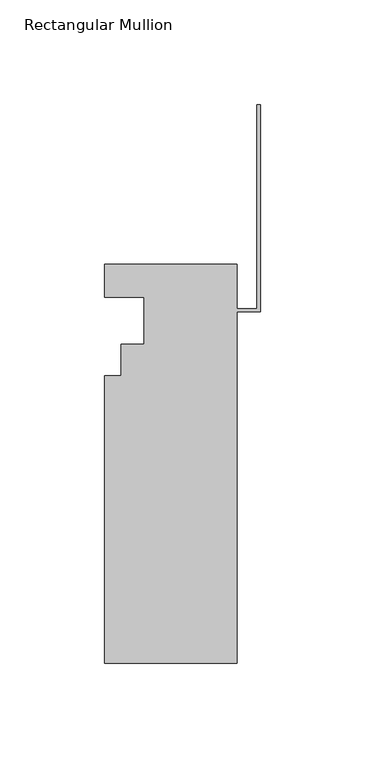
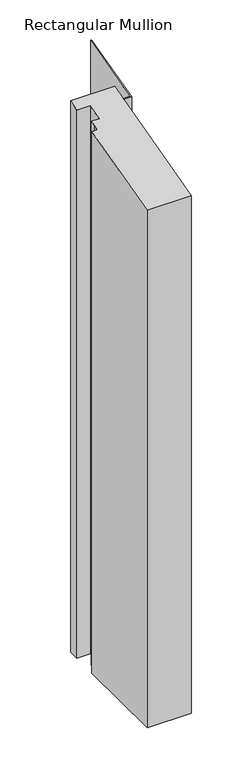
"""IFC4 building model written with IfcOpenShell, lengths in millimetres: member geometry, Rectangular Mullion."""

import ifcopenshell
import ifcopenshell.guid

model = None  # the IFC model being written
_history = None  # IfcOwnerHistory: only IFC2X3 demands one
_inside = {}  # id of a spatial element -> (the spatial element, [elements in it])
_under = {}  # id of a project, library or spatial element -> (it, [spatial elements below it])
_declared = {}  # id of a project -> (the project, [libraries it declares])
_typed = {}  # id of a type object -> (the type object, [elements of that type])
_made_of = {}  # id of a material, layer set ... -> (it, [elements and type objects made of it])


def new_model(schema):
    """Start an empty IFC model of exactly this schema.

    Asked for "IFC4X3", IfcOpenShell would pick the latest addendum, in which some entities
    have other attributes; the version numbers below select the first issue.
    IFC2X3 requires an IfcOwnerHistory on every rooted entity: one is made here for all.
    """
    global model, _history
    if schema == "IFC4X3":
        model = ifcopenshell.file(schema_version=(4, 3, 0, 0))
    else:
        model = ifcopenshell.file(schema=schema)
    _inside.clear()
    _under.clear()
    _declared.clear()
    _typed.clear()
    _made_of.clear()
    _history = None
    if model.schema == "IFC2X3":
        org = make("IfcOrganization", Name="unknown")
        user = make(
            "IfcPersonAndOrganization",
            ThePerson=make("IfcPerson", FamilyName="unknown"),
            TheOrganization=org,
        )
        app = make(
            "IfcApplication",
            ApplicationDeveloper=org,
            Version="unknown",
            ApplicationFullName="unknown",
            ApplicationIdentifier="unknown",
        )
        _history = make(
            "IfcOwnerHistory",
            OwningUser=user,
            OwningApplication=app,
            ChangeAction="ADDED",
            CreationDate=0,
        )
    return model


def make(cls, **values):
    """One entity of the class cls with the attributes given. An attribute that is None is left unset."""
    return model.create_entity(
        cls, **{name: value for name, value in values.items() if value is not None}
    )


def rooted(cls, **values):
    """An entity with a GlobalId (a new one), such as an element, a storey or a relation."""
    return make(cls, GlobalId=ifcopenshell.guid.new(), OwnerHistory=_history, **values)


def si_unit(unit_type, name, prefix=None):
    """IfcSIUnit, for example si_unit("LENGTHUNIT", "METRE", prefix="MILLI")."""
    return make("IfcSIUnit", UnitType=unit_type, Prefix=prefix, Name=name)


def assignment(units):
    """IfcUnitAssignment: the units of a project."""
    return None if units is None else make("IfcUnitAssignment", Units=units)


def point(xyz):
    """IfcCartesianPoint."""
    return None if xyz is None else make("IfcCartesianPoint", Coordinates=xyz)


def direction(xyz):
    """IfcDirection."""
    return None if xyz is None else make("IfcDirection", DirectionRatios=xyz)


def frame(location, z_axis=None, x_axis=None):
    """IfcAxis2Placement3D, a coordinate frame: its origin and axes. An axis left out is left unset."""
    return make(
        "IfcAxis2Placement3D",
        Location=point(location),
        Axis=direction(z_axis),
        RefDirection=direction(x_axis),
    )


def origin():
    """The frame at (0, 0, 0) with its axes left unset."""
    return frame((0.0, 0.0, 0.0))


def place(relative_to, where):
    """IfcLocalPlacement: puts the frame where relative to a parent placement (None: the world)."""
    return make(
        "IfcLocalPlacement", PlacementRelTo=relative_to, RelativePlacement=where
    )


def context(
    kind, dimensions, precision=None, world=None, true_north=None, identifier=None
):
    """IfcGeometricRepresentationContext, for example the 3D "Model" context."""
    return make(
        "IfcGeometricRepresentationContext",
        ContextIdentifier=identifier,
        ContextType=kind,
        CoordinateSpaceDimension=dimensions,
        Precision=precision,
        WorldCoordinateSystem=world,
        TrueNorth=true_north,
    )


def project(units=None, contexts=None):
    """IfcProject with its units and contexts."""
    return rooted(
        "IfcProject",
        Name="project",
        RepresentationContexts=contexts,
        UnitsInContext=assignment(units),
    )


def spatial(cls, under=None, at=None, **own):
    """A site, building, storey or space (cls), placed at a placement, below another one or the project."""
    s = rooted(cls, ObjectPlacement=at, **own)
    if under is not None:
        _under.setdefault(under.id(), (under, []))[1].append(s)
    return s


def faces_of(points, faces, orient=None, outer=None):
    """IfcFace entities. A face is a list of loops; a loop is a list of indices into points, from 0.

    orient and outer hold one flag for each loop. By default every Orientation is true, the
    first loop of a face is its IfcFaceOuterBound and the others are IfcFaceBound.
    """
    made = []
    for i, loops in enumerate(faces):
        bounds = []
        for j, loop in enumerate(loops):
            is_outer = j == 0 if outer is None else outer[i][j]
            bounds.append(
                make(
                    "IfcFaceOuterBound" if is_outer else "IfcFaceBound",
                    Bound=make("IfcPolyLoop", Polygon=[points[k] for k in loop]),
                    Orientation=True if orient is None else orient[i][j],
                )
            )
        made.append(make("IfcFace", Bounds=bounds))
    return made


def faceted_brep(points, faces, orient=None, outer=None, voids=None):
    """IfcFacetedBrep: a solid bounded by flat faces; with voids (closed shells), ...WithVoids."""
    shared = [point(p) for p in points]
    hull = make("IfcClosedShell", CfsFaces=faces_of(shared, faces, orient, outer))
    if voids is None:
        return make("IfcFacetedBrep", Outer=hull)
    return make(
        "IfcFacetedBrepWithVoids",
        Outer=hull,
        Voids=[
            make(cls, CfsFaces=faces_of(shared, fs, o, b)) for cls, fs, o, b in voids
        ],
    )


def shape(context_of_items, identifier, shape_type, items):
    """IfcShapeRepresentation: the items that make up one representation, for example the "Body"."""
    return make(
        "IfcShapeRepresentation",
        ContextOfItems=context_of_items,
        RepresentationIdentifier=identifier,
        RepresentationType=shape_type,
        Items=items,
    )


def source(mapping_origin, context_of_items, identifier, shape_type, items):
    """IfcRepresentationMap: a shape defined once, which mapped items show again and again."""
    return make(
        "IfcRepresentationMap",
        MappingOrigin=mapping_origin,
        MappedRepresentation=shape(context_of_items, identifier, shape_type, items),
    )


def transform(
    local_origin,
    x_axis=None,
    y_axis=None,
    z_axis=None,
    scale=None,
    scale2=None,
    scale3=None,
    uniform=True,
):
    """IfcCartesianTransformationOperator3D, or its non-uniform kind. x_axis, y_axis, z_axis: its Axis1, 2, 3."""
    if uniform:
        return make(
            "IfcCartesianTransformationOperator3D",
            Axis1=direction(x_axis),
            Axis2=direction(y_axis),
            LocalOrigin=point(local_origin),
            Scale=scale,
            Axis3=direction(z_axis),
        )
    return make(
        "IfcCartesianTransformationOperator3DnonUniform",
        Axis1=direction(x_axis),
        Axis2=direction(y_axis),
        LocalOrigin=point(local_origin),
        Scale=scale,
        Axis3=direction(z_axis),
        Scale2=scale2,
        Scale3=scale3,
    )


def mapped(mapping_source, mapping_target):
    """IfcMappedItem: shows the shape of a source again, moved by a transform."""
    return make(
        "IfcMappedItem", MappingSource=mapping_source, MappingTarget=mapping_target
    )


def made_of(thing, what):
    """Note that an element or type object is made of a material, layer set ...; save() writes the relation."""
    if what is not None:
        _made_of.setdefault(what.id(), (what, []))[1].append(thing)
    return thing


def element(
    cls,
    number,
    at=None,
    inside=None,
    cuts=None,
    type_object=None,
    material=None,
    context=None,
    identifier="Body",
    shape_type=None,
    held_by="IfcProductDefinitionShape",
    body=None,
    shapes=None,
    **own,
):
    """One element of the class cls, such as IfcWall. Its Tag is "e" and its number.

    at: its placement. inside: the storey or other place that contains it. cuts: it is an
    opening in that element (IfcRelVoidsElement). A single representation is given by context,
    identifier, shape_type and body (its items); several are given by shapes. held_by: the class
    of the entity that holds the representations. save() writes the other relations.
    """
    e = rooted(cls, Tag="e%d" % number, ObjectPlacement=at, **own)
    if body is not None:
        shapes = [shape(context, identifier, shape_type, body)]
    if shapes is not None:
        e.Representation = make(held_by, Representations=shapes)
    if inside is not None:
        _inside.setdefault(inside.id(), (inside, []))[1].append(e)
    if cuts is not None:
        rooted(
            "IfcRelVoidsElement", RelatingBuildingElement=cuts, RelatedOpeningElement=e
        )
    if type_object is not None:
        _typed.setdefault(type_object.id(), (type_object, []))[1].append(e)
    return made_of(e, material)


def aggregate(whole, parts):
    """IfcRelAggregates: a whole, such as a stair, and the parts it consists of."""
    return rooted("IfcRelAggregates", RelatingObject=whole, RelatedObjects=parts)


def save(model, path):
    """Write the relations noted so far, then the file.

    IfcRelAggregates (storeys below a building ...), IfcRelContainedInSpatialStructure (elements
    in a storey), IfcRelDefinesByType, IfcRelAssociatesMaterial and IfcRelDeclares: one each for
    every whole, place, type object, material and project.
    """
    for whole, parts in _under.values():
        aggregate(whole, parts)
    for where, things in _inside.values():
        rooted(
            "IfcRelContainedInSpatialStructure",
            RelatedElements=things,
            RelatingStructure=where,
        )
    for kind, things in _typed.values():
        rooted("IfcRelDefinesByType", RelatedObjects=things, RelatingType=kind)
    for what, things in _made_of.values():
        rooted("IfcRelAssociatesMaterial", RelatedObjects=things, RelatingMaterial=what)
    for by, libraries in _declared.values():
        rooted("IfcRelDeclares", RelatingContext=by, RelatedDefinitions=libraries)
    model.write(path)


def rectangular_mullion_d9e2b9e8(model_context):
    return source(origin(), model_context, "Body", "Brep", [
        faceted_brep([(-74.613262, 20.7922813, -834.1114019), (-11.113262, 20.7922813, -834.1114019), (-11.113262, -0.4675187, -834.1114019), (-1.5748, -0.4675187, -834.1114019), (-1.5748, 97.0234488, -834.1114019), (0.0, 97.0234488, -834.1114019), (0.0, -2.0423187, -834.1114019), (-11.113262, -2.0423187, -834.1114019), (-11.113262, -169.9617187, -834.1114019), (-74.613262, -169.9617187, -834.1114019), (-74.613262, -32.6239187, -834.1114019), (-66.688462, -32.6239187, -834.1114019), (-66.688462, -24.7245187, -834.1114019), (-66.688462, -17.5617188, -834.1114019), (-55.563262, -17.5617187, -834.1114019), (-55.563262, 4.9172813, -834.1114019), (-74.613262, 4.9172813, -834.1114019), (-74.613262, 4.9172813, 1.3175815), (-74.613262, 20.7922813, 5.571275), (-55.563262, 4.9172813, 1.3175815), (-55.563262, -17.5617187, -4.7056484), (-66.688462, -17.5617188, -4.7056484), (-66.688462, -24.7245187, -6.6249148), (-66.688462, -32.6239187, -8.7415527), (-74.613262, -32.6239187, -8.7415527), (-74.613262, -169.9617187, -45.5411053), (-11.113262, -169.9617187, -45.5411053), (-11.113262, -2.0423187, -0.5472377), (0.0, -2.0423187, -0.5472377), (0.0, 97.0234488, 25.9973548), (-1.5748, 97.0234488, 25.9973548), (-1.5748, -0.4675187, -0.1252713), (-11.113262, -0.4675187, -0.1252713), (-11.113262, 20.7922813, 5.571275)], [[[0, 1, 2, 3, 4, 5, 6, 7, 8, 9, 10, 11, 12, 13, 14, 15, 16]], [[17, 18, 0, 16]], [[19, 17, 16, 15]], [[20, 19, 15, 14]], [[21, 20, 14, 13]], [[22, 21, 13, 12]], [[23, 22, 12, 11]], [[24, 23, 11, 10]], [[25, 24, 10, 9]], [[26, 25, 9, 8]], [[27, 26, 8, 7]], [[28, 27, 7, 6]], [[29, 28, 6, 5]], [[30, 29, 5, 4]], [[31, 30, 4, 3]], [[32, 31, 3, 2]], [[33, 32, 2, 1]], [[18, 33, 1, 0]], [[18, 17, 19, 20, 21, 22, 23, 24, 25, 26, 27, 28, 29, 30, 31, 32, 33]]]),
    ])


if __name__ == "__main__":
    model = new_model("IFC4")
    model_context = context("Model", 3, world=origin())
    ifc_project = project(units=[si_unit("LENGTHUNIT", "METRE", prefix="MILLI")], contexts=[model_context])
    site = spatial("IfcSite", under=ifc_project)
    building = spatial("IfcBuilding", under=site)
    placement = place(None, origin())
    rectangular_mullion_shape = rectangular_mullion_d9e2b9e8(model_context)
    element("IfcMember", 1, ObjectType="Rectangular Mullion", at=placement, inside=building, context=model_context, shape_type="MappedRepresentation", body=[
        mapped(rectangular_mullion_shape, transform((0.0, 0.0, 0.0), x_axis=(1.0, 0.0, 0.0), y_axis=(0.0, 1.0, 0.0), z_axis=(0.0, 0.0, 1.0))),
    ])
    save(model, "model.ifc")
